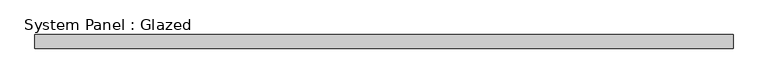
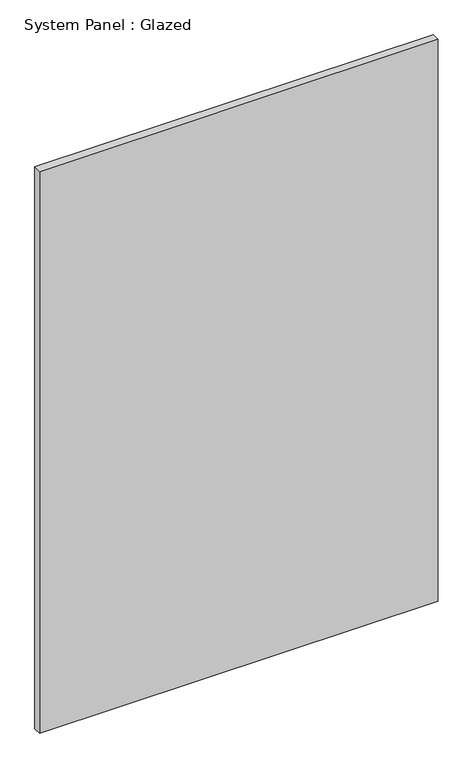
"""IFC4 building model written with IfcOpenShell, lengths in millimetres: plate geometry, System Panel : Glazed."""

from ifc_helpers import new_model, si_unit, origin, origin_with_axes, place, context, project, spatial, polyline, outline, extrude, source, transform, mapped, element, save


def system_panel_glazed_203db35d(model_context):
    return source(origin(), model_context, "Body", "SweptSolid", [
        extrude(outline(polyline([(633.1957079, 19.05), (-633.1957079, 19.05), (-633.1957079, 44.45), (633.1957079, 44.45), (633.1957079, 19.05)])), origin_with_axes(), (0.0, 0.0, 1.0), 1885.95),
    ])


if __name__ == "__main__":
    model = new_model("IFC4")
    model_context = context("Model", 3, world=origin())
    ifc_project = project(units=[si_unit("LENGTHUNIT", "METRE", prefix="MILLI")], contexts=[model_context])
    site = spatial("IfcSite", under=ifc_project)
    building = spatial("IfcBuilding", under=site)
    placement = place(None, origin())
    system_panel_glazed_shape = system_panel_glazed_203db35d(model_context)
    element("IfcPlate", 1, ObjectType="System Panel : Glazed", at=placement, inside=building, context=model_context, shape_type="MappedRepresentation", body=[
        mapped(system_panel_glazed_shape, transform((0.0, 0.0, 0.0), x_axis=(1.0, 0.0, 0.0), y_axis=(0.0, 1.0, 0.0), z_axis=(0.0, 0.0, 1.0))),
    ])
    save(model, "model.ifc")
